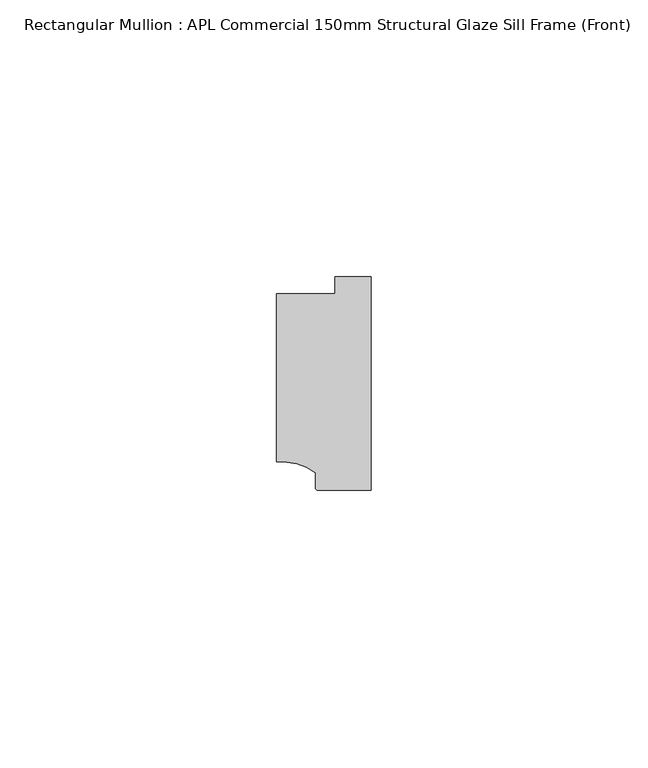
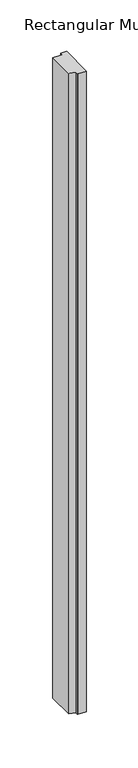
"""IFC4 building model written with IfcOpenShell, lengths in millimetres: member geometry, Rectangular Mullion : APL Commercial 150mm Structural Glaze Sill Frame (Front)."""

from ifc_helpers import new_model, si_unit, point, frame, frame_2d, origin, place, context, project, spatial, polyline, circle_curve, trimmed, segment, composite_curve, outline, extrude, source, transform, mapped, element, save


def rectangular_mullion_apl_commercial_150mm_structural_glaze_98763d60(model_context):
    return source(origin(), model_context, "Body", "SweptSolid", [
        extrude(outline(composite_curve([segment(polyline([(-16.999942, -15.3793144), (-16.999942, 15.0004332), (-6.5000029, 15.0004332), (-6.5000029, 18.0281616), (0.0, 18.0281616), (0.0, -20.49978), (-9.5000029, -20.49978)]), True, "CONTINUOUS"), segment(trimmed(circle_curve(frame_2d((-9.5000029, -19.99978)), 0.5), [point((-9.5000029, -20.49978))], [point((-10.0, -19.9980675))], False, "CARTESIAN"), True, "CONTINUOUS"), segment(polyline([(-10.0, -19.9980675), (-10.0, -17.3120901)]), True, "CONTINUOUS"), segment(trimmed(circle_curve(frame_2d((-16.1098048, -25.7977481)), 10.4563907), [point((-10.0, -17.3120901))], [point((-16.999942, -15.3793144))], True, "CARTESIAN"), True, "CONTINUOUS")], self_intersect=False)), frame((0.0, 0.0, -760.0485946), z_axis=(0.0, 0.0, 1.0), x_axis=(1.0, 0.0, 0.0)), (0.0, 0.0, 1.0), 760.0485946),
    ])


if __name__ == "__main__":
    model = new_model("IFC4")
    model_context = context("Model", 3, world=origin())
    ifc_project = project(units=[si_unit("LENGTHUNIT", "METRE", prefix="MILLI")], contexts=[model_context])
    site = spatial("IfcSite", under=ifc_project)
    building = spatial("IfcBuilding", under=site)
    placement = place(None, origin())
    rectangular_mullion_apl_commercial_150mm_structural_glaze_shape = rectangular_mullion_apl_commercial_150mm_structural_glaze_98763d60(model_context)
    element("IfcMember", 1, ObjectType="Rectangular Mullion : APL Commercial 150mm Structural Glaze Sill Frame (Front)", at=placement, inside=building, context=model_context, shape_type="MappedRepresentation", body=[
        mapped(rectangular_mullion_apl_commercial_150mm_structural_glaze_shape, transform((0.0, 0.0, 0.0), x_axis=(1.0, 0.0, 0.0), y_axis=(0.0, 1.0, 0.0), z_axis=(0.0, 0.0, 1.0))),
    ])
    save(model, "model.ifc")
